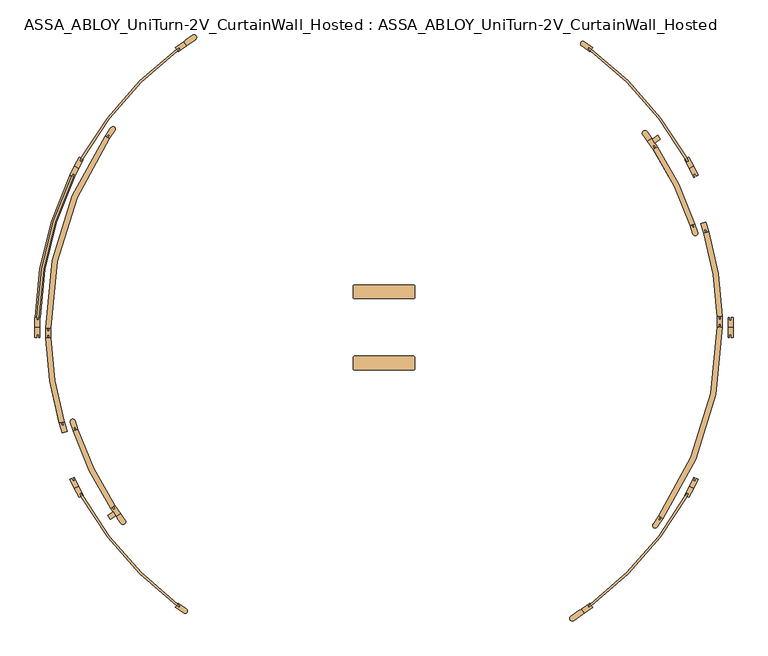
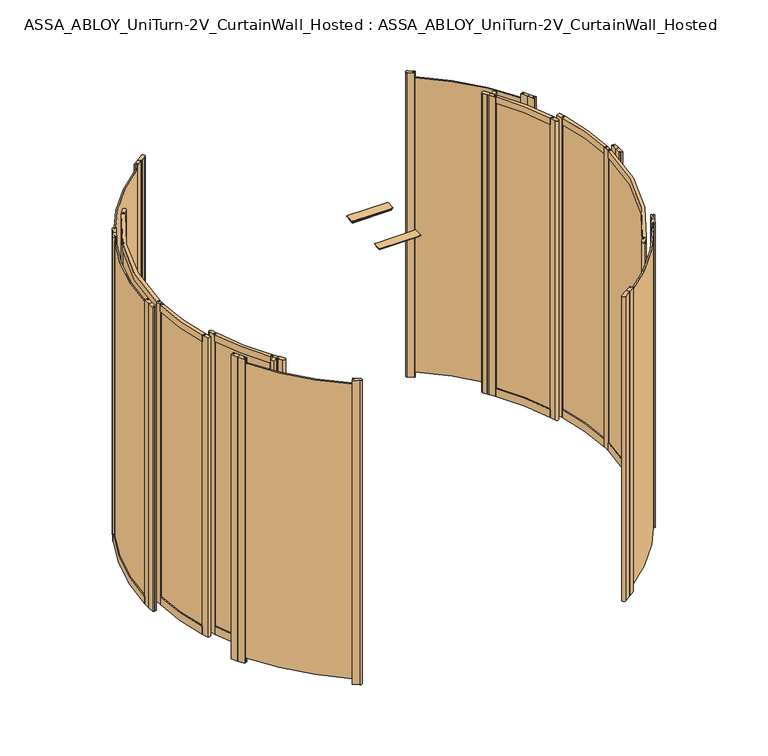
"""IFC4 building model written with IfcOpenShell, lengths in millimetres: door geometry, ASSA_ABLOY_UniTurn-2V_CurtainWall_Hosted : ASSA_ABLOY_UniTurn-2V_CurtainWall_Hosted."""

from ifc_helpers import new_model, si_unit, point, frame, frame_2d, origin, origin_with_axes, origin_2d, place, context, project, spatial, polyline, circle_curve, trimmed, segment, composite_curve, outline, extrude, source, transform, mapped, element, save
from ifc_brep_helpers import plane_surface, cylinder_surface, revolved_surface, advanced_brep


def assa_abloy_uniturn_2v_curtainwall_hosted_assa_abloy_uniturn_09f4285b(model_context):
    return source(origin(), model_context, "Body", "SolidModel", [
        advanced_brep(
        [(-1825.2306704, 53.0, 56.0), (-1825.2306704, 53.0, 0.0), (-1799.2416247, 52.245345, 0.0), (-1799.2416247, 52.245345, 56.0), (-1804.2395181, 52.390471, 56.0), (-1804.2395181, 52.390471, 41.0), (-1814.2353049, 52.6807229, 41.0), (-1814.2353049, 52.6807229, 56.0), (-1643.4720542, 795.7861567, 56.0), (-1633.5716201, 790.9922642, 56.0), (-1633.5716201, 790.9922642, 41.0), (-1624.5712255, 786.6341801, 41.0), (-1624.5712255, 786.6341801, 56.0), (-1620.0710282, 784.4551381, 56.0), (-1620.0710282, 784.4551381, 0.0), (-1643.4720542, 795.7861567, 0.0)],
        [
            (0, 1),
            (1, 2),
            (2, 3),
            (3, 4),
            (4, 5),
            (5, 6),
            (6, 7),
            (7, 0),
            (8, 9),
            (9, 10),
            (10, 11),
            (11, 12),
            (12, 13),
            (13, 14),
            (14, 15),
            (15, 8),
            (15, 1, circle_curve(frame((0.0, 0.0, 0.0), z_axis=(0.0, 0.0, 1.0), x_axis=(-0.9995786803689732, 0.029025191675892625, 0.0)), 1826.0)),
            (0, 8, circle_curve(frame((0.0, 0.0, 56.0), z_axis=(0.0, 0.0, -1.0), x_axis=(-0.9995786803689732, 0.029025191675892625, 0.0)), 1826.0)),
            (14, 2, circle_curve(frame((0.0, 0.0, 0.0), z_axis=(0.0, 0.0, 1.0), x_axis=(-0.9995786803689732, 0.029025191675892625, 0.0)), 1800.0)),
            (13, 3, circle_curve(frame((0.0, 0.0, 56.0), z_axis=(0.0, 0.0, 1.0), x_axis=(-0.9995786803689732, 0.029025191675892625, 0.0)), 1800.0)),
            (12, 4, circle_curve(frame((0.0, 0.0, 56.0), z_axis=(0.0, 0.0, 1.0), x_axis=(-0.9995786803689732, 0.029025191675892625, 0.0)), 1805.0)),
            (11, 5, circle_curve(frame((0.0, 0.0, 41.0), z_axis=(0.0, 0.0, 1.0), x_axis=(-0.9995786803689732, 0.029025191675892625, 0.0)), 1805.0)),
            (10, 6, circle_curve(frame((0.0, 0.0, 41.0), z_axis=(0.0, 0.0, 1.0), x_axis=(-0.9995786803689732, 0.029025191675892625, 0.0)), 1815.0)),
            (9, 7, circle_curve(frame((0.0, 0.0, 56.0), z_axis=(0.0, 0.0, 1.0), x_axis=(-0.9995786803689732, 0.029025191675892625, 0.0)), 1815.0)),
        ],
        [
            plane_surface(frame((-1825.2306704, 53.0, 0.0), z_axis=(-0.02902519167589263, -0.9995786803689732, 0.0), x_axis=(0.0, 0.0, 1.0))),
            plane_surface(frame((-1643.4720542, 795.7861567, 0.0), z_axis=(0.43580841002827103, 0.9000394601064059, 0.0), x_axis=(0.0, 0.0, 1.0))),
            cylinder_surface(frame((0.0, 0.0, 0.0), z_axis=(0.0, 0.0, -1.0000000000000002), x_axis=(-0.9995786803689732, 0.029025191675892625, 0.0)), 1826.0),
            plane_surface(frame((0.0, 0.0, 0.0), z_axis=(0.0, 0.0, -1.0000000000000002), x_axis=(-0.9995786803689732, 0.029025191675892625, 0.0))),
            revolved_surface(polyline([(-1799.241624664152, 52.24534501660673, 0.0), (-1799.241624664152, 52.24534501660673, 56.00000000000003)]), (0.0, 0.0, 0.0), (0.0, 0.0, -1.0000000000000002)),
            plane_surface(frame((0.0, 0.0, 56.0), z_axis=(0.0, 0.0, 1.0000000000000002), x_axis=(-0.9995786803689732, 0.029025191675892625, 0.0))),
            cylinder_surface(frame((0.0, 0.0, 0.0), z_axis=(0.0, 0.0, -1.0000000000000002), x_axis=(-0.9995786803689732, 0.029025191675892625, 0.0)), 1805.0),
            plane_surface(frame((0.0, 0.0, 41.0), z_axis=(0.0, 0.0, 1.0000000000000002), x_axis=(-0.9995786803689732, 0.029025191675892625, 0.0))),
            revolved_surface(polyline([(-1814.2353048696864, 52.68072289174511, 41.000000000000014), (-1814.2353048696864, 52.68072289174511, 56.00000000000003)]), (0.0, 0.0, 0.0), (0.0, 0.0, -1.0000000000000002)),
        ],
        [
            (0, [[1, 2, 3, 4, 5, 6, 7, 8]]),
            (1, [[9, 10, 11, 12, 13, 14, 15, 16]]),
            (2, [[17, -1, 18, -16]]),
            (3, [[19, -2, -17, -15]]),
            (4, [[20, -3, -19, -14]]),
            (5, [[21, -4, -20, -13]]),
            (6, [[22, -5, -21, -12]]),
            (7, [[23, -6, -22, -11]]),
            (8, [[24, -7, -23, -10]]),
            (5, [[-18, -8, -24, -9]]),
        ],
    ),
        extrude(outline(composite_curve([segment(polyline([(-1032.4375854, 1474.4736797), (-1047.3505728, 1495.7716329), (-1038.9952219, 1501.6221125), (-1039.5687984, 1502.4412646), (-1002.0516347, 1528.7110654)]), True, "CONTINUOUS"), segment(trimmed(circle_curve(frame_2d((-994.0215646, 1517.2429367)), 14.0), [point((-1002.0516347, 1528.7110654))], [point((-985.9914945, 1505.7748081))], False, "CARTESIAN"), True, "CONTINUOUS"), segment(polyline([(-985.9914945, 1505.7748081), (-1023.5086581, 1479.5050073), (-1024.0822346, 1480.3241594), (-1032.4375854, 1474.4736797)]), True, "CONTINUOUS")], self_intersect=False)), origin_with_axes(), (0.0, 0.0, 1.0), 2500.0),
        extrude(outline(composite_curve([segment(polyline([(1047.3505728, -1495.7716329), (1038.9952219, -1501.6221125), (1039.5687984, -1502.4412646), (993.6962839, -1534.561545)]), True, "CONTINUOUS"), segment(trimmed(circle_curve(frame_2d((985.6662138, -1523.0934164)), 14.0), [point((993.6962839, -1534.561545))], [point((977.6361437, -1511.6252878))], False, "CARTESIAN"), True, "CONTINUOUS"), segment(polyline([(977.6361437, -1511.6252878), (1023.5086581, -1479.5050073), (1024.0822346, -1480.3241594), (1032.4375854, -1474.4736797), (1047.3505728, -1495.7716329)]), True, "CONTINUOUS")], self_intersect=False)), origin_with_axes(), (0.0, 0.0, 1.0), 2500.0),
        extrude(outline(composite_curve([segment(polyline([(1576.7592796, -880.5601708), (1584.1472574, -866.3679974), (1593.0173657, -870.9854836), (1585.6293879, -885.1776569)]), True, "CONTINUOUS"), segment(trimmed(circle_curve(origin_2d(), 1815.9735791), [point((1585.6293879, -885.1776569))], [point((1084.5710056, -1456.5252397))], False, "CARTESIAN"), True, "CONTINUOUS"), segment(polyline([(1084.5710056, -1456.5252397), (1071.4645729, -1465.7024626), (1065.7288085, -1457.5109422), (1078.8352412, -1448.3337192)]), True, "CONTINUOUS"), segment(trimmed(circle_curve(origin_2d(), 1805.9778625), [point((1078.8352412, -1448.3337192))], [point((1576.7592796, -880.5601708))], True, "CARTESIAN"), True, "CONTINUOUS")], self_intersect=False)), frame((0.0, 0.0, 41.0), z_axis=(0.0, 0.0, 1.0), x_axis=(1.0, 0.0, 0.0)), (0.0, 0.0, 1.0), 2421.0),
        extrude(outline(composite_curve([segment(trimmed(circle_curve(origin_2d(), 1815.9651017), [point((1084.3324154, 1456.6923023))], [point((1585.763879, 884.9193018))], False, "CARTESIAN"), True, "CONTINUOUS"), segment(polyline([(1585.763879, 884.9193018), (1593.0173657, 870.9854836), (1584.1472574, 866.3679974), (1576.7592796, 880.5601708)]), True, "CONTINUOUS"), segment(trimmed(circle_curve(origin_2d(), 1805.9778625), [point((1576.7592796, 880.5601708))], [point((1078.8352412, 1448.3337192))], True, "CARTESIAN"), True, "CONTINUOUS"), segment(polyline([(1078.8352412, 1448.3337192), (1065.7288085, 1457.5109422), (1071.4645729, 1465.7024626), (1084.3324154, 1456.6923023)]), True, "CONTINUOUS")], self_intersect=False)), frame((0.0, 0.0, 41.0), z_axis=(0.0, 0.0, 1.0), x_axis=(1.0, 0.0, 0.0)), (0.0, 0.0, 1.0), 2421.0),
        extrude(outline(polyline([(1047.3505728, -1495.7716329), (1032.4375854, -1474.4736797), (1075.8526438, -1444.0741286), (1078.8352412, -1448.3337192), (1065.7288085, -1457.5109422), (1071.4645729, -1465.7024626), (1084.5710056, -1456.5252397), (1090.7656311, -1465.3720817), (1047.3505728, -1495.7716329)])), origin_with_axes(), (0.0, 0.0, 1.0), 2500.0),
        extrude(outline(polyline([(1619.6817814, -843.1529678), (1595.2091049, -890.1645419), (1585.6293879, -885.1776569), (1593.0173657, -870.9854836), (1584.1472574, -866.3679974), (1576.7592796, -880.5601708), (1572.1468232, -878.159078), (1596.6194997, -831.1475038), (1619.6817814, -843.1529678)])), origin_with_axes(), (0.0, 0.0, 1.0), 2500.0),
        extrude(outline(polyline([(1619.6817814, -843.1529678), (1596.6194997, -831.1475038), (1621.0921762, -784.1359297), (1625.7046326, -786.5370225), (1618.3166547, -800.7291958), (1627.1867631, -805.3466819), (1634.5747409, -791.1545086), (1644.1544579, -796.1413936), (1619.6817814, -843.1529678)])), origin_with_axes(), (0.0, 0.0, 1.0), 2500.0),
        extrude(outline(composite_curve([segment(polyline([(1090.7656311, 1465.3720817), (1084.5710056, 1456.5252397), (1071.4645729, 1465.7024626), (1065.7288085, 1457.5109422), (1078.8352412, 1448.3337192), (1075.8526438, 1444.0741286), (1033.4205679, 1473.785388)]), True, "CONTINUOUS"), segment(trimmed(circle_curve(frame_2d((1040.8770616, 1484.4343646)), 13.0), [point((1033.4205679, 1473.785388))], [point((1048.3335552, 1495.0833411))], False, "CARTESIAN"), True, "CONTINUOUS"), segment(polyline([(1048.3335552, 1495.0833411), (1090.7656311, 1465.3720817)]), True, "CONTINUOUS")], self_intersect=False)), origin_with_axes(), (0.0, 0.0, 1.0), 2500.0),
        extrude(outline(polyline([(1619.6817814, 843.1529678), (1644.1544579, 796.1413936), (1634.5747409, 791.1545086), (1627.1867631, 805.3466819), (1618.3166547, 800.7291958), (1625.7046326, 786.5370225), (1621.0921762, 784.1359297), (1596.6194997, 831.1475038), (1619.6817814, 843.1529678)])), origin_with_axes(), (0.0, 0.0, 1.0), 2500.0),
        extrude(outline(polyline([(1619.6817814, 843.1529678), (1596.6194997, 831.1475038), (1572.1468232, 878.159078), (1576.7592796, 880.5601708), (1584.1472574, 866.3679974), (1593.0173657, 870.9854836), (1585.6293879, 885.1776569), (1595.2091049, 890.1645419), (1619.6817814, 843.1529678)])), origin_with_axes(), (0.0, 0.0, 1.0), 2500.0),
        extrude(outline(polyline([(1826.0, 0.0), (1826.0, -53.0), (1815.2, -53.0), (1815.2, -37.0), (1805.2, -37.0), (1805.2, -53.0), (1800.0, -53.0), (1800.0, 0.0), (1826.0, 0.0)])), origin_with_axes(), (0.0, 0.0, 1.0), 2500.0),
        extrude(outline(polyline([(1826.0, 0.0), (1800.0, 0.0), (1800.0, 53.0), (1805.2, 53.0), (1805.2, 37.0), (1815.2, 37.0), (1815.2, 53.0), (1826.0, 53.0), (1826.0, 0.0)])), origin_with_axes(), (0.0, 0.0, 1.0), 2500.0),
        extrude(outline(composite_curve([segment(polyline([(-1078.8352412, -1448.3337192), (-1066.5479606, -1456.9373658), (-1072.2837249, -1465.1288862), (-1084.5710056, -1456.5252397)]), True, "CONTINUOUS"), segment(trimmed(circle_curve(origin_2d(), 1815.9735791), [point((-1084.5710056, -1456.5252397))], [point((-1585.6293879, -885.1776569))], False, "CARTESIAN"), True, "CONTINUOUS"), segment(polyline([(-1585.6293879, -885.1776569), (-1592.5556171, -871.8724944), (-1583.6855088, -867.2550083), (-1576.7592795, -880.5601708)]), True, "CONTINUOUS"), segment(trimmed(circle_curve(origin_2d(), 1805.9778625), [point((-1576.7592795, -880.5601708))], [point((-1078.8352412, -1448.3337192))], True, "CARTESIAN"), True, "CONTINUOUS")], self_intersect=False)), frame((0.0, 0.0, 41.0), z_axis=(0.0, 0.0, 1.0), x_axis=(1.0, 0.0, 0.0)), (0.0, 0.0, 1.0), 2421.0),
        extrude(outline(composite_curve([segment(trimmed(circle_curve(origin_2d(), 1805.9778625), [point((-1078.8352412, 1448.3337192))], [point((-1576.7592796, 880.5601708))], True, "CARTESIAN"), True, "CONTINUOUS"), segment(polyline([(-1576.7592796, 880.5601708), (-1583.6855088, 867.2550083), (-1592.5556171, 871.8724944), (-1585.6293879, 885.1776569)]), True, "CONTINUOUS"), segment(trimmed(circle_curve(origin_2d(), 1815.9735791), [point((-1585.6293879, 885.1776569))], [point((-1084.5710056, 1456.5252397))], False, "CARTESIAN"), True, "CONTINUOUS"), segment(polyline([(-1084.5710056, 1456.5252397), (-1072.2837249, 1465.1288862), (-1066.5479606, 1456.9373658), (-1078.8352412, 1448.3337192)]), True, "CONTINUOUS")], self_intersect=False)), frame((0.0, 0.0, 41.0), z_axis=(0.0, 0.0, 1.0), x_axis=(1.0, 0.0, 0.0)), (0.0, 0.0, 1.0), 2421.0),
        extrude(outline(composite_curve([segment(trimmed(circle_curve(origin_2d(), 1805.9778625), [point((-1625.7046326, 786.5370225))], [point((-1805.2, 53.0))], True, "CARTESIAN"), True, "CONTINUOUS"), segment(polyline([(-1805.2, 53.0), (-1805.2, 38.0), (-1815.2, 38.0), (-1815.2, 53.0)]), True, "CONTINUOUS"), segment(trimmed(circle_curve(origin_2d(), 1815.9735791), [point((-1815.2, 53.0))], [point((-1634.5747409, 791.1545086))], False, "CARTESIAN"), True, "CONTINUOUS"), segment(polyline([(-1634.5747409, 791.1545086), (-1627.6485117, 804.4596711), (-1618.7784034, 799.842185), (-1625.7046326, 786.5370225)]), True, "CONTINUOUS")], self_intersect=False)), frame((0.0, 0.0, 41.0), z_axis=(0.0, 0.0, 1.0), x_axis=(1.0, 0.0, 0.0)), (0.0, 0.0, 1.0), 2421.0),
        extrude(outline(polyline([(-1619.6773084, -843.1615602), (-1596.6150268, -831.1560963), (-1572.1468232, -878.159078), (-1576.7592796, -880.5601708), (-1583.6855088, -867.2550083), (-1592.5556171, -871.8724944), (-1585.6293879, -885.1776569), (-1595.2091049, -890.1645419), (-1619.6773084, -843.1615602)])), origin_with_axes(), (0.0, 0.0, 1.0), 2500.0),
        extrude(outline(polyline([(-1619.6817814, -843.1529678), (-1644.1544579, -796.1413936), (-1634.5747409, -791.1545086), (-1627.6485117, -804.4596711), (-1618.7784034, -799.842185), (-1625.7046326, -786.5370225), (-1621.0921762, -784.1359297), (-1596.6194997, -831.1475038), (-1619.6817814, -843.1529678)])), origin_with_axes(), (0.0, 0.0, 1.0), 2500.0),
        extrude(outline(composite_curve([segment(polyline([(-1090.7656311, -1465.3720817), (-1084.5710056, -1456.5252397), (-1072.2837249, -1465.1288862), (-1066.5479606, -1456.9373658), (-1078.8352412, -1448.3337192), (-1075.8526438, -1444.0741286), (-1033.4205679, -1473.785388)]), True, "CONTINUOUS"), segment(trimmed(circle_curve(frame_2d((-1040.8770616, -1484.4343646)), 13.0), [point((-1033.4205679, -1473.785388))], [point((-1048.3335552, -1495.0833411))], False, "CARTESIAN"), True, "CONTINUOUS"), segment(polyline([(-1048.3335552, -1495.0833411), (-1090.7656311, -1465.3720817)]), True, "CONTINUOUS")], self_intersect=False)), origin_with_axes(), (0.0, 0.0, 1.0), 2500.0),
        extrude(outline(polyline([(-1047.3505728, 1495.7716329), (-1032.4375854, 1474.4736797), (-1075.8526438, 1444.0741286), (-1078.8352412, 1448.3337192), (-1066.5479606, 1456.9373658), (-1072.2837249, 1465.1288862), (-1084.5710056, 1456.5252397), (-1090.7656311, 1465.3720817), (-1047.3505728, 1495.7716329)])), origin_with_axes(), (0.0, 0.0, 1.0), 2500.0),
        extrude(outline(polyline([(-1619.6817814, 843.1529678), (-1596.6194997, 831.1475038), (-1621.0921762, 784.1359297), (-1625.7046326, 786.5370225), (-1618.7784034, 799.842185), (-1627.6485117, 804.4596711), (-1634.5747409, 791.1545086), (-1644.1544579, 796.1413936), (-1619.6817814, 843.1529678)])), origin_with_axes(), (0.0, 0.0, 1.0), 2500.0),
        extrude(outline(polyline([(-1619.6817814, 843.1529678), (-1595.2091049, 890.1645419), (-1585.6293879, 885.1776569), (-1592.5556171, 871.8724944), (-1583.6855088, 867.2550083), (-1576.7592796, 880.5601708), (-1572.1468232, 878.159078), (-1596.6194997, 831.1475038), (-1619.6817814, 843.1529678)])), origin_with_axes(), (0.0, 0.0, 1.0), 2500.0),
        extrude(outline(polyline([(-1826.0, 0.0), (-1800.0, 0.0), (-1800.0, -53.0), (-1805.2, -53.0), (-1805.2, -38.0), (-1815.2, -38.0), (-1815.2, -53.0), (-1826.0, -53.0), (-1826.0, 0.0)])), origin_with_axes(), (0.0, 0.0, 1.0), 2500.0),
        extrude(outline(polyline([(-1825.8261964, 0.0), (-1825.8261964, 53.0), (-1815.2, 53.0), (-1815.2, 38.0), (-1805.2, 38.0), (-1805.2, 53.0), (-1800.0, 53.0), (-1800.0, 0.0), (-1825.8261964, 0.0)])), origin_with_axes(), (0.0, 0.0, 1.0), 2500.0),
        extrude(outline(composite_curve([segment(trimmed(circle_curve(origin_2d(), 1770.0), [point((-1769.997187, -3.1556429))], [point((-1458.8407002, 1002.3391699))], False, "CARTESIAN"), True, "CONTINUOUS"), segment(polyline([(-1458.8407002, 1002.3391699), (-1437.4114018, 987.6155436)]), True, "CONTINUOUS"), segment(trimmed(circle_curve(origin_2d(), 1744.0), [point((-1437.4114018, 987.6155436))], [point((-1743.9972283, -3.1092888))], True, "CARTESIAN"), True, "CONTINUOUS"), segment(polyline([(-1743.9972283, -3.1092888), (-1769.997187, -3.1556429)]), True, "CONTINUOUS")], self_intersect=False)), frame((0.0, 0.0, 2447.0), z_axis=(0.0, 0.0, 1.0), x_axis=(1.0, 0.0, 0.0)), (0.0, 0.0, 1.0), 53.0),
        extrude(outline(composite_curve([segment(trimmed(circle_curve(origin_2d(), 1770.0), [point((-1697.6176373, -500.9933707))], [point((-1769.109205, -56.1482036))], False, "CARTESIAN"), True, "CONTINUOUS"), segment(polyline([(-1769.109205, -56.1482036), (-1743.1222901, -55.3234277)]), True, "CONTINUOUS"), segment(trimmed(circle_curve(origin_2d(), 1744.0), [point((-1743.1222901, -55.3234277))], [point((-1672.6808811, -493.634146))], True, "CARTESIAN"), True, "CONTINUOUS"), segment(polyline([(-1672.6808811, -493.634146), (-1697.6176373, -500.9933707)]), True, "CONTINUOUS")], self_intersect=False)), frame((0.0, 0.0, 2447.0), z_axis=(0.0, 0.0, 1.0), x_axis=(1.0, 0.0, 0.0)), (0.0, 0.0, 1.0), 53.0),
        extrude(outline(composite_curve([segment(trimmed(circle_curve(origin_2d(), 1714.18), [point((-1429.3608285, -946.2244419))], [point((-1626.3005929, -541.8112716))], False, "CARTESIAN"), True, "CONTINUOUS"), segment(polyline([(-1626.3005929, -541.8112716), (-1601.6335127, -533.5932939)]), True, "CONTINUOUS"), segment(trimmed(circle_curve(origin_2d(), 1688.18), [point((-1601.6335127, -533.5932939))], [point((-1407.6808523, -931.8724861))], True, "CARTESIAN"), True, "CONTINUOUS"), segment(polyline([(-1407.6808523, -931.8724861), (-1429.3608285, -946.2244419)]), True, "CONTINUOUS")], self_intersect=False)), frame((0.0, 0.0, 2447.0), z_axis=(0.0, 0.0, 1.0), x_axis=(1.0, 0.0, 0.0)), (0.0, 0.0, 1.0), 53.0),
        extrude(outline(polyline([(-1402.2698299, -985.8486568), (-1431.1522531, -1005.6174613), (-1445.8376507, -984.161947), (-1416.9552275, -964.3931425), (-1402.2698299, -985.8486568)])), frame((0.0, 0.0, 40.0), z_axis=(0.0, 0.0, 1.0), x_axis=(1.0, 0.0, 0.0)), (0.0, 0.0, 1.0), 2460.0),
        extrude(outline(composite_curve([segment(polyline([(-1377.9902006, -975.2893197), (-1372.2835329, -983.6268189), (-1371.4583208, -983.0619959), (-1353.2729762, -1009.6309681)]), True, "CONTINUOUS"), segment(trimmed(circle_curve(frame_2d((-1365.4124924, -1016.6815389)), 14.0384615), [point((-1353.2729762, -1009.6309681))], [point((-1376.3789148, -1025.4460117))], False, "CARTESIAN"), True, "CONTINUOUS"), segment(polyline([(-1376.3789148, -1025.4460117), (-1394.5662149, -998.8741824), (-1393.7410028, -998.3093594), (-1399.445715, -989.9747173), (-1377.9902006, -975.2893197)]), True, "CONTINUOUS")], self_intersect=False)), frame((0.0, 0.0, 40.0), z_axis=(0.0, 0.0, 1.0), x_axis=(1.0, 0.0, 0.0)), (0.0, 0.0, 1.0), 2460.0),
        extrude(outline(polyline([(-1399.445715, -989.9747173), (-1429.3813332, -946.2384765), (-1422.7796364, -941.7198926), (-1414.3072917, -954.098074), (-1406.0551708, -948.4498441), (-1414.5275155, -936.0716627), (-1407.9258188, -931.5530789), (-1377.9902006, -975.2893197), (-1399.445715, -989.9747173)])), frame((0.0, 0.0, 40.0), z_axis=(0.0, 0.0, 1.0), x_axis=(1.0, 0.0, 0.0)), (0.0, 0.0, 1.0), 2460.0),
        extrude(outline(composite_curve([segment(polyline([(-1626.3242854, -541.81876), (-1640.4887481, -497.0039411)]), True, "CONTINUOUS"), segment(trimmed(circle_curve(frame_2d((-1628.0931599, -493.086111)), 13.0), [point((-1640.4887481, -497.0039411))], [point((-1615.6975716, -489.1682809))], False, "CARTESIAN"), True, "CONTINUOUS"), segment(polyline([(-1615.6975716, -489.1682809), (-1601.533109, -533.9830998), (-1609.1611632, -536.3940722), (-1613.6817364, -522.0914704), (-1623.2168043, -525.1051859), (-1618.6962311, -539.4077877), (-1626.3242854, -541.81876)]), True, "CONTINUOUS")], self_intersect=False)), frame((0.0, 0.0, 40.0), z_axis=(0.0, 0.0, 1.0), x_axis=(1.0, 0.0, 0.0)), (0.0, 0.0, 1.0), 2460.0),
        extrude(outline(polyline([(-1697.6415731, -501.0008258), (-1690.0034867, -498.6218268), (-1685.5428636, -512.9432388), (-1675.9952556, -509.9694901), (-1680.4558787, -495.6480781), (-1672.8177923, -493.2690791), (-1657.056924, -543.8714015), (-1681.8807048, -551.6031482), (-1697.6415731, -501.0008258)])), frame((0.0, 0.0, 40.0), z_axis=(0.0, 0.0, 1.0), x_axis=(1.0, 0.0, 0.0)), (0.0, 0.0, 1.0), 2460.0),
        extrude(outline(composite_curve([segment(polyline([(-1458.8611481, 1002.3536746), (-1428.7755279, 1044.7665907)]), True, "CONTINUOUS"), segment(trimmed(circle_curve(frame_2d((-1418.1722989, 1037.2451857)), 13.0), [point((-1428.7755279, 1044.7665907))], [point((-1407.5690698, 1029.7237807))], False, "CARTESIAN"), True, "CONTINUOUS"), segment(polyline([(-1407.5690698, 1029.7237807), (-1437.65469, 987.3108645), (-1444.179754, 991.9394214), (-1435.5012097, 1004.1739165), (-1443.6575398, 1009.9596127), (-1452.336084, 997.7251176), (-1458.8611481, 1002.3536746)]), True, "CONTINUOUS")], self_intersect=False)), frame((0.0, 0.0, 40.0), z_axis=(0.0, 0.0, 1.0), x_axis=(1.0, 0.0, 0.0)), (0.0, 0.0, 1.0), 2460.0),
        extrude(outline(polyline([(-1769.1342714, -56.1486236), (-1770.0222534, -3.1560629), (-1762.0233763, -3.0220279), (-1761.7720607, -18.0199224), (-1751.7734643, -17.8523786), (-1752.02478, -2.8544841), (-1744.0259029, -2.7204491), (-1743.1379209, -55.7130098), (-1751.136798, -55.8470448), (-1751.3881136, -40.8491503), (-1761.38671, -41.016694), (-1761.1353943, -56.0145886), (-1769.1342714, -56.1486236)])), frame((0.0, 0.0, 40.0), z_axis=(0.0, 0.0, 1.0), x_axis=(1.0, 0.0, 0.0)), (0.0, 0.0, 1.0), 2460.0),
        extrude(outline(composite_curve([segment(trimmed(circle_curve(origin_2d(), 1706.18), [point((-1414.3938312, -954.2223444))], [point((-1623.3679996, -525.0966867))], False, "CARTESIAN"), True, "CONTINUOUS"), segment(polyline([(-1623.3679996, -525.0966867), (-1613.8533645, -522.0190707)]), True, "CONTINUOUS"), segment(trimmed(circle_curve(origin_2d(), 1696.18), [point((-1613.8533645, -522.0190707))], [point((-1406.1040035, -948.6296031))], True, "CARTESIAN"), True, "CONTINUOUS"), segment(polyline([(-1406.1040035, -948.6296031), (-1414.3938312, -954.2223444)]), True, "CONTINUOUS")], self_intersect=False)), frame((0.0, 0.0, 105.0), z_axis=(0.0, 0.0, 1.0), x_axis=(1.0, 0.0, 0.0)), (0.0, 0.0, 1.0), 2342.0),
        extrude(outline(composite_curve([segment(trimmed(circle_curve(origin_2d(), 1762.0), [point((-1685.6573752, -513.0333455))], [point((-1761.5236883, -40.9670046))], False, "CARTESIAN"), True, "CONTINUOUS"), segment(polyline([(-1761.5236883, -40.9670046), (-1751.5263916, -40.7345018)]), True, "CONTINUOUS"), segment(trimmed(circle_curve(origin_2d(), 1752.0), [point((-1751.5263916, -40.7345018))], [point((-1676.0906477, -510.121692))], True, "CARTESIAN"), True, "CONTINUOUS"), segment(polyline([(-1676.0906477, -510.121692), (-1685.6573752, -513.0333455)]), True, "CONTINUOUS")], self_intersect=False)), frame((0.0, 0.0, 105.0), z_axis=(0.0, 0.0, 1.0), x_axis=(1.0, 0.0, 0.0)), (0.0, 0.0, 1.0), 2342.0),
        extrude(outline(composite_curve([segment(trimmed(circle_curve(origin_2d(), 1762.0), [point((-1761.9072973, -18.0741732))], [point((-1443.7384966, 1010.0807659))], False, "CARTESIAN"), True, "CONTINUOUS"), segment(polyline([(-1443.7384966, 1010.0807659), (-1435.544748, 1004.3481849)]), True, "CONTINUOUS"), segment(trimmed(circle_curve(origin_2d(), 1752.0), [point((-1435.544748, 1004.3481849))], [point((-1751.9078234, -17.9715956))], True, "CARTESIAN"), True, "CONTINUOUS"), segment(polyline([(-1751.9078234, -17.9715956), (-1761.9072973, -18.0741732)]), True, "CONTINUOUS")], self_intersect=False)), frame((0.0, 0.0, 105.0), z_axis=(0.0, 0.0, 1.0), x_axis=(1.0, 0.0, 0.0)), (0.0, 0.0, 1.0), 2342.0),
        extrude(outline(composite_curve([segment(trimmed(circle_curve(origin_2d(), 1770.0), [point((-1769.997187, -3.1556429))], [point((-1458.8407002, 1002.3391699))], False, "CARTESIAN"), True, "CONTINUOUS"), segment(polyline([(-1458.8407002, 1002.3391699), (-1437.4114018, 987.6155436)]), True, "CONTINUOUS"), segment(trimmed(circle_curve(origin_2d(), 1744.0), [point((-1437.4114018, 987.6155436))], [point((-1743.9972283, -3.1092888))], True, "CARTESIAN"), True, "CONTINUOUS"), segment(polyline([(-1743.9972283, -3.1092888), (-1769.997187, -3.1556429)]), True, "CONTINUOUS")], self_intersect=False)), frame((0.0, 0.0, 40.0), z_axis=(0.0, 0.0, 1.0), x_axis=(1.0, 0.0, 0.0)), (0.0, 0.0, 1.0), 65.0),
        extrude(outline(composite_curve([segment(trimmed(circle_curve(origin_2d(), 1770.0), [point((-1697.6176373, -500.9933707))], [point((-1769.109205, -56.1482036))], False, "CARTESIAN"), True, "CONTINUOUS"), segment(polyline([(-1769.109205, -56.1482036), (-1743.1222901, -55.3234277)]), True, "CONTINUOUS"), segment(trimmed(circle_curve(origin_2d(), 1744.0), [point((-1743.1222901, -55.3234277))], [point((-1672.6808811, -493.634146))], True, "CARTESIAN"), True, "CONTINUOUS"), segment(polyline([(-1672.6808811, -493.634146), (-1697.6176373, -500.9933707)]), True, "CONTINUOUS")], self_intersect=False)), frame((0.0, 0.0, 40.0), z_axis=(0.0, 0.0, 1.0), x_axis=(1.0, 0.0, 0.0)), (0.0, 0.0, 1.0), 65.0),
        extrude(outline(composite_curve([segment(trimmed(circle_curve(origin_2d(), 1714.2740759), [point((-1429.4384703, -946.2775845))], [point((-1626.3903056, -541.8396268))], False, "CARTESIAN"), True, "CONTINUOUS"), segment(polyline([(-1626.3903056, -541.8396268), (-1601.7232185, -533.62167)]), True, "CONTINUOUS"), segment(trimmed(circle_curve(origin_2d(), 1688.2740759), [point((-1601.7232185, -533.62167))], [point((-1407.7585064, -931.9256103))], True, "CARTESIAN"), True, "CONTINUOUS"), segment(polyline([(-1407.7585064, -931.9256103), (-1429.4384703, -946.2775845)]), True, "CONTINUOUS")], self_intersect=False)), frame((0.0, 0.0, 40.0), z_axis=(0.0, 0.0, 1.0), x_axis=(1.0, 0.0, 0.0)), (0.0, 0.0, 1.0), 65.0),
        extrude(outline(polyline([(1402.2698299, 985.8486568), (1431.1522531, 1005.6174613), (1445.8376507, 984.161947), (1416.9552275, 964.3931425), (1402.2698299, 985.8486568)])), frame((0.0, 0.0, 40.0), z_axis=(0.0, 0.0, 1.0), x_axis=(1.0, 0.0, 0.0)), (0.0, 0.0, 1.0), 2460.0),
        extrude(outline(composite_curve([segment(polyline([(1377.9902006, 975.2893197), (1372.2835329, 983.6268189), (1371.4583208, 983.0619959), (1353.2729762, 1009.6309681)]), True, "CONTINUOUS"), segment(trimmed(circle_curve(frame_2d((1365.4124924, 1016.6815389)), 14.0384615), [point((1353.2729762, 1009.6309681))], [point((1376.3789148, 1025.4460117))], False, "CARTESIAN"), True, "CONTINUOUS"), segment(polyline([(1376.3789148, 1025.4460117), (1394.5662149, 998.8741824), (1393.7410028, 998.3093594), (1399.445715, 989.9747173), (1377.9902006, 975.2893197)]), True, "CONTINUOUS")], self_intersect=False)), frame((0.0, 0.0, 40.0), z_axis=(0.0, 0.0, 1.0), x_axis=(1.0, 0.0, 0.0)), (0.0, 0.0, 1.0), 2460.0),
        extrude(outline(polyline([(1399.445715, 989.9747173), (1429.3813332, 946.2384765), (1422.7796364, 941.7198926), (1414.3072917, 954.098074), (1406.0551708, 948.4498441), (1414.5275155, 936.0716627), (1407.9258188, 931.5530789), (1377.9902006, 975.2893197), (1399.445715, 989.9747173)])), frame((0.0, 0.0, 40.0), z_axis=(0.0, 0.0, 1.0), x_axis=(1.0, 0.0, 0.0)), (0.0, 0.0, 1.0), 2460.0),
        extrude(outline(composite_curve([segment(polyline([(1626.3242854, 541.81876), (1640.4887481, 497.0039411)]), True, "CONTINUOUS"), segment(trimmed(circle_curve(frame_2d((1628.0931599, 493.086111)), 13.0), [point((1640.4887481, 497.0039411))], [point((1615.6975716, 489.1682809))], False, "CARTESIAN"), True, "CONTINUOUS"), segment(polyline([(1615.6975716, 489.1682809), (1601.533109, 533.9830998), (1609.1611632, 536.3940722), (1613.6817364, 522.0914704), (1623.2168043, 525.1051859), (1618.6962311, 539.4077877), (1626.3242854, 541.81876)]), True, "CONTINUOUS")], self_intersect=False)), frame((0.0, 0.0, 40.0), z_axis=(0.0, 0.0, 1.0), x_axis=(1.0, 0.0, 0.0)), (0.0, 0.0, 1.0), 2460.0),
        extrude(outline(polyline([(1697.6415731, 501.0008258), (1690.0034867, 498.6218268), (1685.5428636, 512.9432388), (1675.9952556, 509.9694901), (1680.4558787, 495.6480781), (1672.8177923, 493.2690791), (1657.056924, 543.8714015), (1681.8807048, 551.6031482), (1697.6415731, 501.0008258)])), frame((0.0, 0.0, 40.0), z_axis=(0.0, 0.0, 1.0), x_axis=(1.0, 0.0, 0.0)), (0.0, 0.0, 1.0), 2460.0),
        extrude(outline(composite_curve([segment(polyline([(1458.8611481, -1002.3536746), (1428.7755279, -1044.7665907)]), True, "CONTINUOUS"), segment(trimmed(circle_curve(frame_2d((1418.1722989, -1037.2451857)), 13.0), [point((1428.7755279, -1044.7665907))], [point((1407.5690698, -1029.7237807))], False, "CARTESIAN"), True, "CONTINUOUS"), segment(polyline([(1407.5690698, -1029.7237807), (1437.65469, -987.3108645), (1444.179754, -991.9394214), (1435.5012097, -1004.1739165), (1443.6575398, -1009.9596127), (1452.336084, -997.7251176), (1458.8611481, -1002.3536746)]), True, "CONTINUOUS")], self_intersect=False)), frame((0.0, 0.0, 40.0), z_axis=(0.0, 0.0, 1.0), x_axis=(1.0, 0.0, 0.0)), (0.0, 0.0, 1.0), 2460.0),
        extrude(outline(polyline([(1769.1342714, 56.1486236), (1770.0222534, 3.1560629), (1762.0233763, 3.0220279), (1761.7720607, 18.0199224), (1751.7734643, 17.8523786), (1752.02478, 2.8544841), (1744.0259029, 2.7204491), (1743.1379209, 55.7130098), (1751.136798, 55.8470448), (1751.3881136, 40.8491503), (1761.38671, 41.016694), (1761.1353943, 56.0145886), (1769.1342714, 56.1486236)])), frame((0.0, 0.0, 40.0), z_axis=(0.0, 0.0, 1.0), x_axis=(1.0, 0.0, 0.0)), (0.0, 0.0, 1.0), 2460.0),
        extrude(outline(composite_curve([segment(trimmed(circle_curve(origin_2d(), 1706.18), [point((1414.3938312, 954.2223444))], [point((1623.3679996, 525.0966867))], False, "CARTESIAN"), True, "CONTINUOUS"), segment(polyline([(1623.3679996, 525.0966867), (1613.8533645, 522.0190707)]), True, "CONTINUOUS"), segment(trimmed(circle_curve(origin_2d(), 1696.18), [point((1613.8533645, 522.0190707))], [point((1406.1040035, 948.6296031))], True, "CARTESIAN"), True, "CONTINUOUS"), segment(polyline([(1406.1040035, 948.6296031), (1414.3938312, 954.2223444)]), True, "CONTINUOUS")], self_intersect=False)), frame((0.0, 0.0, 105.0), z_axis=(0.0, 0.0, 1.0), x_axis=(1.0, 0.0, 0.0)), (0.0, 0.0, 1.0), 2342.0),
        extrude(outline(composite_curve([segment(trimmed(circle_curve(origin_2d(), 1762.0), [point((1685.6573752, 513.0333455))], [point((1761.5236883, 40.9670046))], False, "CARTESIAN"), True, "CONTINUOUS"), segment(polyline([(1761.5236883, 40.9670046), (1751.5263916, 40.7345018)]), True, "CONTINUOUS"), segment(trimmed(circle_curve(origin_2d(), 1752.0), [point((1751.5263916, 40.7345018))], [point((1676.0906477, 510.121692))], True, "CARTESIAN"), True, "CONTINUOUS"), segment(polyline([(1676.0906477, 510.121692), (1685.6573752, 513.0333455)]), True, "CONTINUOUS")], self_intersect=False)), frame((0.0, 0.0, 105.0), z_axis=(0.0, 0.0, 1.0), x_axis=(1.0, 0.0, 0.0)), (0.0, 0.0, 1.0), 2342.0),
        extrude(outline(composite_curve([segment(trimmed(circle_curve(origin_2d(), 1762.0), [point((1761.9072973, 18.0741732))], [point((1443.7384966, -1010.0807659))], False, "CARTESIAN"), True, "CONTINUOUS"), segment(polyline([(1443.7384966, -1010.0807659), (1435.544748, -1004.3481849)]), True, "CONTINUOUS"), segment(trimmed(circle_curve(origin_2d(), 1752.0), [point((1435.544748, -1004.3481849))], [point((1751.9078234, 17.9715956))], True, "CARTESIAN"), True, "CONTINUOUS"), segment(polyline([(1751.9078234, 17.9715956), (1761.9072973, 18.0741732)]), True, "CONTINUOUS")], self_intersect=False)), frame((0.0, 0.0, 105.0), z_axis=(0.0, 0.0, 1.0), x_axis=(1.0, 0.0, 0.0)), (0.0, 0.0, 1.0), 2342.0),
        extrude(outline(composite_curve([segment(trimmed(circle_curve(origin_2d(), 1770.0), [point((1769.997187, 3.1556429))], [point((1458.8407002, -1002.3391699))], False, "CARTESIAN"), True, "CONTINUOUS"), segment(polyline([(1458.8407002, -1002.3391699), (1437.4114018, -987.6155436)]), True, "CONTINUOUS"), segment(trimmed(circle_curve(origin_2d(), 1744.0), [point((1437.4114018, -987.6155436))], [point((1743.9972283, 3.1092888))], True, "CARTESIAN"), True, "CONTINUOUS"), segment(polyline([(1743.9972283, 3.1092888), (1769.997187, 3.1556429)]), True, "CONTINUOUS")], self_intersect=False)), frame((0.0, 0.0, 2447.0), z_axis=(0.0, 0.0, 1.0), x_axis=(1.0, 0.0, 0.0)), (0.0, 0.0, 1.0), 53.0),
        extrude(outline(composite_curve([segment(trimmed(circle_curve(origin_2d(), 1770.0), [point((1697.6176373, 500.9933707))], [point((1769.109205, 56.1482036))], False, "CARTESIAN"), True, "CONTINUOUS"), segment(polyline([(1769.109205, 56.1482036), (1743.1222901, 55.3234277)]), True, "CONTINUOUS"), segment(trimmed(circle_curve(origin_2d(), 1744.0), [point((1743.1222901, 55.3234277))], [point((1672.6808811, 493.634146))], True, "CARTESIAN"), True, "CONTINUOUS"), segment(polyline([(1672.6808811, 493.634146), (1697.6176373, 500.9933707)]), True, "CONTINUOUS")], self_intersect=False)), frame((0.0, 0.0, 2447.0), z_axis=(0.0, 0.0, 1.0), x_axis=(1.0, 0.0, 0.0)), (0.0, 0.0, 1.0), 53.0),
        extrude(outline(composite_curve([segment(trimmed(circle_curve(origin_2d(), 1714.18), [point((1429.3608285, 946.2244419))], [point((1626.3005929, 541.8112716))], False, "CARTESIAN"), True, "CONTINUOUS"), segment(polyline([(1626.3005929, 541.8112716), (1601.6335127, 533.5932939)]), True, "CONTINUOUS"), segment(trimmed(circle_curve(origin_2d(), 1688.18), [point((1601.6335127, 533.5932939))], [point((1407.6808523, 931.8724861))], True, "CARTESIAN"), True, "CONTINUOUS"), segment(polyline([(1407.6808523, 931.8724861), (1429.3608285, 946.2244419)]), True, "CONTINUOUS")], self_intersect=False)), frame((0.0, 0.0, 2447.0), z_axis=(0.0, 0.0, 1.0), x_axis=(1.0, 0.0, 0.0)), (0.0, 0.0, 1.0), 53.0),
        extrude(outline(composite_curve([segment(trimmed(circle_curve(origin_2d(), 1770.0), [point((1769.997187, 3.1556429))], [point((1458.8407002, -1002.3391699))], False, "CARTESIAN"), True, "CONTINUOUS"), segment(polyline([(1458.8407002, -1002.3391699), (1437.4114018, -987.6155436)]), True, "CONTINUOUS"), segment(trimmed(circle_curve(origin_2d(), 1744.0), [point((1437.4114018, -987.6155436))], [point((1743.9972283, 3.1092888))], True, "CARTESIAN"), True, "CONTINUOUS"), segment(polyline([(1743.9972283, 3.1092888), (1769.997187, 3.1556429)]), True, "CONTINUOUS")], self_intersect=False)), frame((0.0, 0.0, 40.0), z_axis=(0.0, 0.0, 1.0), x_axis=(1.0, 0.0, 0.0)), (0.0, 0.0, 1.0), 65.0),
        extrude(outline(composite_curve([segment(trimmed(circle_curve(origin_2d(), 1770.0), [point((1697.6176373, 500.9933707))], [point((1769.1632704, 54.4180359))], False, "CARTESIAN"), True, "CONTINUOUS"), segment(polyline([(1769.1632704, 54.4180359), (1743.1755614, 53.6186749)]), True, "CONTINUOUS"), segment(trimmed(circle_curve(origin_2d(), 1744.0), [point((1743.1755614, 53.6186749))], [point((1672.6808811, 493.634146))], True, "CARTESIAN"), True, "CONTINUOUS"), segment(polyline([(1672.6808811, 493.634146), (1697.6176373, 500.9933707)]), True, "CONTINUOUS")], self_intersect=False)), frame((0.0, 0.0, 40.0), z_axis=(0.0, 0.0, 1.0), x_axis=(1.0, 0.0, 0.0)), (0.0, 0.0, 1.0), 65.0),
        extrude(outline(composite_curve([segment(trimmed(circle_curve(origin_2d(), 1714.18), [point((1429.3608285, 946.2244419))], [point((1626.3005929, 541.8112716))], False, "CARTESIAN"), True, "CONTINUOUS"), segment(polyline([(1626.3005929, 541.8112716), (1601.6335127, 533.5932939)]), True, "CONTINUOUS"), segment(trimmed(circle_curve(origin_2d(), 1688.18), [point((1601.6335127, 533.5932939))], [point((1407.6808523, 931.8724861))], True, "CARTESIAN"), True, "CONTINUOUS"), segment(polyline([(1407.6808523, 931.8724861), (1429.3608285, 946.2244419)]), True, "CONTINUOUS")], self_intersect=False)), frame((0.0, 0.0, 40.0), z_axis=(0.0, 0.0, 1.0), x_axis=(1.0, 0.0, 0.0)), (0.0, 0.0, 1.0), 65.0),
        extrude(outline(composite_curve([segment(polyline([(-159.9999964, 155.4999998), (-159.9999964, 217.5000004)]), True, "CONTINUOUS"), segment(trimmed(circle_curve(frame_2d((-154.9999964, 217.5000004)), 5.0), [point((-159.9999964, 217.5000004))], [point((-154.9999964, 222.5000004))], False, "CARTESIAN"), True, "CONTINUOUS"), segment(polyline([(-154.9999964, 222.5000004), (154.9999964, 222.5000004)]), True, "CONTINUOUS"), segment(trimmed(circle_curve(frame_2d((154.9999964, 217.5000004)), 5.0), [point((154.9999964, 222.5000004))], [point((159.9999964, 217.5000004))], False, "CARTESIAN"), True, "CONTINUOUS"), segment(polyline([(159.9999964, 217.5000004), (159.9999964, 155.4999998)]), True, "CONTINUOUS"), segment(trimmed(circle_curve(frame_2d((154.9999964, 155.4999998)), 5.0), [point((159.9999964, 155.4999998))], [point((154.9999964, 150.4999998))], False, "CARTESIAN"), True, "CONTINUOUS"), segment(polyline([(154.9999964, 150.4999998), (-154.9999964, 150.4999998)]), True, "CONTINUOUS"), segment(trimmed(circle_curve(frame_2d((-154.9999964, 155.4999998)), 5.0), [point((-154.9999964, 150.4999998))], [point((-159.9999964, 155.4999998))], False, "CARTESIAN"), True, "CONTINUOUS")], self_intersect=False)), frame((0.0, 0.0, 2497.5000001), z_axis=(0.0, 0.0, 1.0), x_axis=(1.0, 0.0, 0.0)), (0.0, 0.0, 1.0), 2.4999999),
        advanced_brep(
        [(-151.0, 185.5629367, 2475.4987746), (-151.0, 164.0251731, 2475.4987746), (-151.0, 153.9656072, 2485.9002398), (-151.0, 151.5000021, 2497.5000001), (-151.0, 216.4007458, 2497.5000001), (-151.0, 202.6871363, 2480.2714189), (151.0, 185.5629367, 2475.4995124), (151.0, 202.6871363, 2480.2714189), (151.0, 216.4007458, 2497.5000001), (151.0, 151.5000021, 2497.5000001), (151.0, 153.9656072, 2485.9002398), (151.0, 164.0251731, 2475.4987746)],
        [
            (0, 1),
            (1, 2, circle_curve(frame((-151.0, 173.3083012, 2494.5419484), z_axis=(-1.0, 0.0, 0.0), x_axis=(0.0, 0.0, 1.0)), 21.1853472)),
            (2, 3, circle_curve(frame((-151.0, 179.8477952, 2497.4635891), z_axis=(-1.0, 0.0, 0.0), x_axis=(0.0, 0.0, 1.0)), 28.3478165)),
            (3, 4),
            (4, 5, circle_curve(frame((-151.0, 186.3043326, 2507.3839777), z_axis=(-1.0, 0.0, 0.0), x_axis=(0.0, 0.0, 1.0)), 31.6778645)),
            (5, 0, circle_curve(frame((-151.0, 185.5629367, 2508.6109436), z_axis=(-1.0, 0.0, 0.0), x_axis=(0.0, 0.0, 1.0)), 33.1114312)),
            (6, 7, circle_curve(frame((151.0, 185.5629367, 2508.6109436), z_axis=(1.0, 0.0, 0.0), x_axis=(0.0, 0.0, 1.0)), 33.1114312)),
            (7, 8, circle_curve(frame((151.0, 186.3043326, 2507.3839777), z_axis=(1.0, 0.0, 0.0), x_axis=(0.0, 0.0, 1.0)), 31.6778645)),
            (8, 9),
            (9, 10, circle_curve(frame((151.0, 179.8477952, 2497.4635891), z_axis=(1.0, 0.0, 0.0), x_axis=(0.0, 0.0, 1.0)), 28.3478165)),
            (10, 11, circle_curve(frame((151.0, 173.3083012, 2494.5419484), z_axis=(1.0, 0.0, 0.0), x_axis=(0.0, 0.0, 1.0)), 21.1853472)),
            (11, 6),
            (0, 6),
            (11, 1),
            (10, 2),
            (9, 3),
            (8, 4),
            (7, 5),
        ],
        [
            plane_surface(frame((-151.0, 190.0, 2530.1), z_axis=(-1.0, 0.0, 0.0), x_axis=(0.0, -1.0, 0.0))),
            plane_surface(frame((151.0, 190.0, 2530.1), z_axis=(1.0, 0.0, 0.0), x_axis=(0.0, -1.0, 0.0))),
            plane_surface(frame((-151.0, 185.5629367, 2475.4987746), z_axis=(0.0, 0.0, -1.0), x_axis=(1.0, 0.0, 0.0))),
            cylinder_surface(frame((-151.0, 173.3083012, 2494.5419484), z_axis=(-1.0, 0.0, 0.0), x_axis=(0.0, 0.0, 1.0)), 21.1853472),
            cylinder_surface(frame((-151.0, 179.8477952, 2497.4635891), z_axis=(-1.0, 0.0, 0.0), x_axis=(0.0, 0.0, 1.0)), 28.3478165),
            plane_surface(frame((-151.0, 151.5000021, 2497.5000001), z_axis=(0.0, 0.0, 1.0), x_axis=(1.0, 0.0, 0.0))),
            cylinder_surface(frame((-151.0, 186.3043326, 2507.3839777), z_axis=(-1.0, 0.0, 0.0), x_axis=(0.0, 0.0, 1.0)), 31.6778645),
            cylinder_surface(frame((-151.0, 185.5629367, 2508.6109436), z_axis=(-1.0, 0.0, 0.0), x_axis=(0.0, 0.0, 1.0)), 33.1114312),
        ],
        [
            (0, [[1, 2, 3, 4, 5, 6]]),
            (1, [[7, 8, 9, 10, 11, 12]]),
            (2, [[-1, 13, -12, 14]]),
            (3, [[-2, -14, -11, 15]]),
            (4, [[-3, -15, -10, 16]]),
            (5, [[-4, -16, -9, 17]]),
            (6, [[-5, -17, -8, 18]]),
            (7, [[-6, -18, -7, -13]]),
        ],
    ),
        extrude(outline(composite_curve([segment(trimmed(circle_curve(frame_2d((-154.9999964, -155.4999998)), 5.0), [point((-159.9999964, -155.4999998))], [point((-154.9999964, -150.4999998))], False, "CARTESIAN"), True, "CONTINUOUS"), segment(polyline([(-154.9999964, -150.4999998), (154.9999964, -150.4999998)]), True, "CONTINUOUS"), segment(trimmed(circle_curve(frame_2d((154.9999964, -155.4999998)), 5.0), [point((154.9999964, -150.4999998))], [point((159.9999964, -155.4999998))], False, "CARTESIAN"), True, "CONTINUOUS"), segment(polyline([(159.9999964, -155.4999998), (159.9999964, -217.5000004)]), True, "CONTINUOUS"), segment(trimmed(circle_curve(frame_2d((154.9999964, -217.5000004)), 5.0), [point((159.9999964, -217.5000004))], [point((154.9999964, -222.5000004))], False, "CARTESIAN"), True, "CONTINUOUS"), segment(polyline([(154.9999964, -222.5000004), (-154.9999964, -222.5000004)]), True, "CONTINUOUS"), segment(trimmed(circle_curve(frame_2d((-154.9999964, -217.5000004)), 5.0), [point((-154.9999964, -222.5000004))], [point((-159.9999964, -217.5000004))], False, "CARTESIAN"), True, "CONTINUOUS"), segment(polyline([(-159.9999964, -217.5000004), (-159.9999964, -155.4999998)]), True, "CONTINUOUS")], self_intersect=False)), frame((0.0, 0.0, 2497.5000001), z_axis=(0.0, 0.0, 1.0), x_axis=(1.0, 0.0, 0.0)), (0.0, 0.0, 1.0), 2.4999999),
        advanced_brep(
        [(-151.0, -185.5629367, 2475.4995124), (-151.0, -202.6871363, 2480.2714189), (-151.0, -216.4007458, 2497.5000001), (-151.0, -151.5000021, 2497.5000001), (-151.0, -153.9656072, 2485.9002398), (-151.0, -164.0251731, 2475.4987746), (151.0, -185.5629367, 2475.4987746), (151.0, -164.0251731, 2475.4987746), (151.0, -153.9656072, 2485.9002398), (151.0, -151.5000021, 2497.5000001), (151.0, -216.4007458, 2497.5000001), (151.0, -202.6871363, 2480.2714189)],
        [
            (0, 1, circle_curve(frame((-151.0, -185.5629367, 2508.6109436), z_axis=(-1.0, 0.0, 0.0), x_axis=(0.0, 0.0, 1.0)), 33.1114312)),
            (1, 2, circle_curve(frame((-151.0, -186.3043326, 2507.3839777), z_axis=(-1.0, 0.0, 0.0), x_axis=(0.0, 0.0, 1.0)), 31.6778645)),
            (2, 3),
            (3, 4, circle_curve(frame((-151.0, -179.8477952, 2497.4635891), z_axis=(-1.0, 0.0, 0.0), x_axis=(0.0, 0.0, 1.0)), 28.3478165)),
            (4, 5, circle_curve(frame((-151.0, -173.3083012, 2494.5419484), z_axis=(-1.0, 0.0, 0.0), x_axis=(0.0, 0.0, 1.0)), 21.1853472)),
            (5, 0),
            (6, 7),
            (7, 8, circle_curve(frame((151.0, -173.3083012, 2494.5419484), z_axis=(1.0, 0.0, 0.0), x_axis=(0.0, 0.0, 1.0)), 21.1853472)),
            (8, 9, circle_curve(frame((151.0, -179.8477952, 2497.4635891), z_axis=(1.0, 0.0, 0.0), x_axis=(0.0, 0.0, 1.0)), 28.3478165)),
            (9, 10),
            (10, 11, circle_curve(frame((151.0, -186.3043326, 2507.3839777), z_axis=(1.0, 0.0, 0.0), x_axis=(0.0, 0.0, 1.0)), 31.6778645)),
            (11, 6, circle_curve(frame((151.0, -185.5629367, 2508.6109436), z_axis=(1.0, 0.0, 0.0), x_axis=(0.0, 0.0, 1.0)), 33.1114312)),
            (5, 7),
            (6, 0),
            (4, 8),
            (3, 9),
            (2, 10),
            (1, 11),
        ],
        [
            plane_surface(frame((-151.0, -190.0, 2530.1), z_axis=(-1.0, 0.0, 0.0), x_axis=(0.0, 1.0, 0.0))),
            plane_surface(frame((151.0, -190.0, 2530.1), z_axis=(1.0, 0.0, 0.0), x_axis=(0.0, 1.0, 0.0))),
            plane_surface(frame((-151.0, -185.5629367, 2475.4987746), z_axis=(0.0, 0.0, -1.0), x_axis=(1.0, 0.0, 0.0))),
            cylinder_surface(frame((-151.0, -173.3083012, 2494.5419484), z_axis=(-1.0, 0.0, 0.0), x_axis=(0.0, 0.0, 1.0)), 21.1853472),
            cylinder_surface(frame((-151.0, -179.8477952, 2497.4635891), z_axis=(-1.0, 0.0, 0.0), x_axis=(0.0, 0.0, 1.0)), 28.3478165),
            plane_surface(frame((-151.0, -151.5000021, 2497.5000001), z_axis=(0.0, 0.0, 1.0), x_axis=(1.0, 0.0, 0.0))),
            cylinder_surface(frame((-151.0, -186.3043326, 2507.3839777), z_axis=(-1.0, 0.0, 0.0), x_axis=(0.0, 0.0, 1.0)), 31.6778645),
            cylinder_surface(frame((-151.0, -185.5629367, 2508.6109436), z_axis=(-1.0, 0.0, 0.0), x_axis=(0.0, 0.0, 1.0)), 33.1114312),
        ],
        [
            (0, [[1, 2, 3, 4, 5, 6]]),
            (1, [[7, 8, 9, 10, 11, 12]]),
            (2, [[13, -7, 14, -6]]),
            (3, [[15, -8, -13, -5]]),
            (4, [[16, -9, -15, -4]]),
            (5, [[17, -10, -16, -3]]),
            (6, [[18, -11, -17, -2]]),
            (7, [[-14, -12, -18, -1]]),
        ],
    ),
    ])


if __name__ == "__main__":
    model = new_model("IFC4")
    model_context = context("Model", 3, world=origin())
    ifc_project = project(units=[si_unit("LENGTHUNIT", "METRE", prefix="MILLI")], contexts=[model_context])
    site = spatial("IfcSite", under=ifc_project)
    building = spatial("IfcBuilding", under=site)
    placement = place(None, origin())
    assa_abloy_uniturn_2v_curtainwall_hosted_assa_abloy_uniturn_shape = assa_abloy_uniturn_2v_curtainwall_hosted_assa_abloy_uniturn_09f4285b(model_context)
    element("IfcDoor", 1, ObjectType="ASSA_ABLOY_UniTurn-2V_CurtainWall_Hosted : ASSA_ABLOY_UniTurn-2V_CurtainWall_Hosted", at=placement, inside=building, context=model_context, shape_type="MappedRepresentation", body=[
        mapped(assa_abloy_uniturn_2v_curtainwall_hosted_assa_abloy_uniturn_shape, transform((0.0, 0.0, 0.0), x_axis=(1.0, 0.0, 0.0), y_axis=(0.0, 1.0, 0.0), z_axis=(0.0, 0.0, 1.0))),
    ])
    save(model, "model.ifc")
